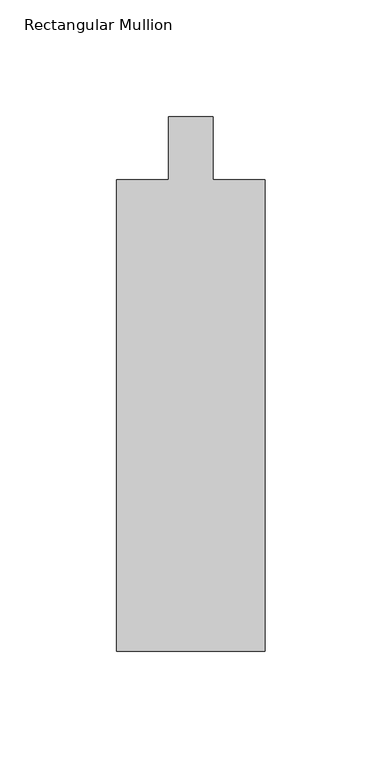
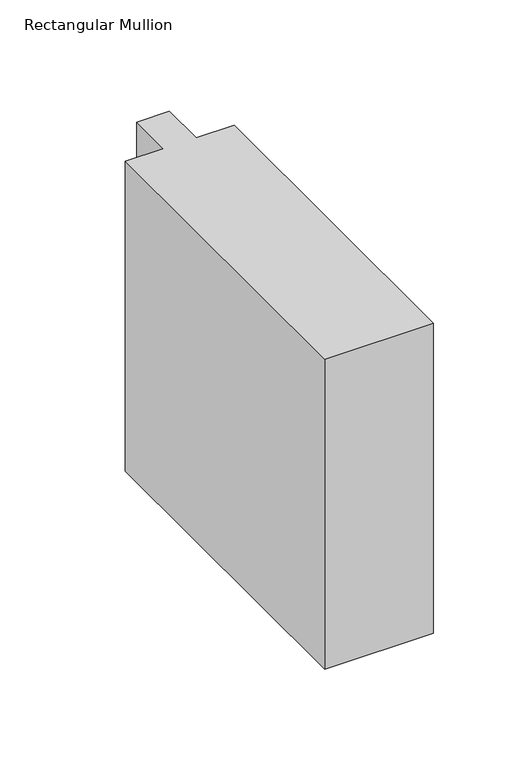
"""IFC4 building model written with IfcOpenShell, lengths in millimetres: member geometry, Rectangular Mullion."""

from ifc_helpers import new_model, si_unit, frame, origin, place, context, project, spatial, polyline, outline, extrude, source, transform, mapped, element, save


def rectangular_mullion_2983ef60(model_context):
    return source(origin(), model_context, "Body", "SweptSolid", [
        extrude(outline(polyline([(31.75, -228.6), (-31.75, -228.6), (-31.75, -26.9875), (-9.525, -26.9875), (-9.525, 0.0), (9.525, 0.0), (9.525, -26.9875), (31.75, -26.9875), (31.75, -228.6)])), frame((0.0, 0.0, -191.7563195), z_axis=(0.0, 0.0, 1.0), x_axis=(1.0, 0.0, 0.0)), (0.0, 0.0, 1.0), 191.7563195),
    ])


if __name__ == "__main__":
    model = new_model("IFC4")
    model_context = context("Model", 3, world=origin())
    ifc_project = project(units=[si_unit("LENGTHUNIT", "METRE", prefix="MILLI")], contexts=[model_context])
    site = spatial("IfcSite", under=ifc_project)
    building = spatial("IfcBuilding", under=site)
    placement = place(None, origin())
    rectangular_mullion_shape = rectangular_mullion_2983ef60(model_context)
    element("IfcMember", 1, ObjectType="Rectangular Mullion", at=placement, inside=building, context=model_context, shape_type="MappedRepresentation", body=[
        mapped(rectangular_mullion_shape, transform((0.0, 0.0, 0.0), x_axis=(1.0, 0.0, 0.0), y_axis=(0.0, 1.0, 0.0), z_axis=(0.0, 0.0, 1.0))),
    ])
    save(model, "model.ifc")
